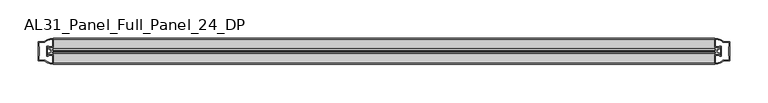
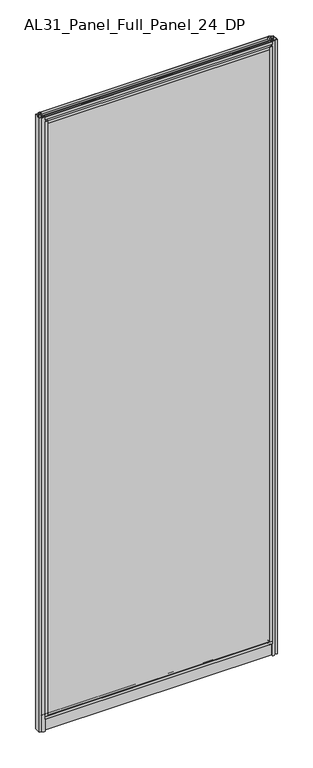
"""IFC4 building model written with IfcOpenShell, lengths in millimetres: plate geometry, AL31_Panel_Full_Panel_24_DP."""

from ifc_helpers import new_model, si_unit, point, frame, frame_2d, origin, origin_with_axes, place, context, project, spatial, polyline, circle_curve, trimmed, segment, composite_curve, outline, extrude, source, transform, mapped, element, save


def al31_panel_full_panel_24_dp_57709ee1(model_context):
    return source(origin(), model_context, "Body", "SweptSolid", [
        extrude(outline(composite_curve([segment(polyline([(-20.7348244, 46.2206013), (-21.2892398, 45.1563534)]), True, "CONTINUOUS"), segment(trimmed(circle_curve(frame_2d((-19.857, 47.9056604)), 3.1), [point((-21.2892398, 45.1563534))], [point((-22.907, 47.3511336))], False, "CARTESIAN"), True, "CONTINUOUS"), segment(polyline([(-22.907, 47.3511336), (-22.907, 41.9), (-24.857, 41.9), (-24.857, 49.4), (-36.857, 49.4), (-36.857, 59.2), (-34.657, 59.2), (-34.657, 51.3), (-5.057, 51.3), (-5.057, 59.2), (-2.857, 59.2), (-2.857, 49.4), (-14.857, 49.4), (-14.857, 41.9), (-16.807, 41.9), (-16.807, 47.3511336)]), True, "CONTINUOUS"), segment(trimmed(circle_curve(frame_2d((-19.857, 47.9056604)), 3.1), [point((-16.807, 47.3511336))], [point((-18.4247602, 45.1563534))], False, "CARTESIAN"), True, "CONTINUOUS"), segment(polyline([(-18.4247602, 45.1563534), (-18.9791756, 46.2206013)]), True, "CONTINUOUS"), segment(trimmed(circle_curve(frame_2d((-19.857, 47.9056604)), 1.9), [point((-18.9791756, 46.2206013))], [point((-19.857, 49.8056604))], True, "CARTESIAN"), True, "CONTINUOUS"), segment(trimmed(circle_curve(frame_2d((-19.857, 47.9056604)), 1.9), [point((-19.857, 49.8056604))], [point((-20.7348244, 46.2206013))], True, "CARTESIAN"), True, "CONTINUOUS")], self_intersect=False)), frame((-432.9301316, 0.0, 0.0), z_axis=(1.0, 0.0, 0.0), x_axis=(0.0, 1.0, 0.0)), (0.0, 0.0, 1.0), 865.8602632),
        extrude(outline(composite_curve([segment(trimmed(circle_curve(frame_2d((-434.4244712, -19.857)), 1.9), [point((-436.1095303, -20.7348244))], [point((-432.5244712, -19.857))], True, "CARTESIAN"), True, "CONTINUOUS"), segment(trimmed(circle_curve(frame_2d((-434.4244712, -19.857)), 1.9), [point((-432.5244712, -19.857))], [point((-436.1095303, -18.9791756))], True, "CARTESIAN"), True, "CONTINUOUS"), segment(polyline([(-436.1095303, -18.9791756), (-437.1737782, -18.4247602)]), True, "CONTINUOUS"), segment(trimmed(circle_curve(frame_2d((-434.4244712, -19.857)), 3.1), [point((-437.1737782, -18.4247602))], [point((-434.978998, -16.807))], False, "CARTESIAN"), True, "CONTINUOUS"), segment(polyline([(-434.978998, -16.807), (-440.4301316, -16.807), (-440.4301316, -14.857), (-432.9301316, -14.857), (-432.9301316, -2.857), (-423.1301316, -2.857), (-423.1301316, -5.057), (-431.0301316, -5.057), (-431.0301316, -34.657), (-423.1301316, -34.657), (-423.1301316, -36.857), (-432.9301316, -36.857), (-432.9301316, -24.857), (-440.4301316, -24.857), (-440.4301316, -22.907), (-434.978998, -22.907)]), True, "CONTINUOUS"), segment(trimmed(circle_curve(frame_2d((-434.4244712, -19.857)), 3.1), [point((-434.978998, -22.907))], [point((-437.1737782, -21.2892398))], False, "CARTESIAN"), True, "CONTINUOUS"), segment(polyline([(-437.1737782, -21.2892398), (-436.1095303, -20.7348244)]), True, "CONTINUOUS")], self_intersect=False)), frame((0.0, 0.0, 49.4), z_axis=(0.0, 0.0, 1.0), x_axis=(1.0, 0.0, 0.0)), (0.0, 0.0, 1.0), 2402.1572926),
        extrude(outline(composite_curve([segment(trimmed(circle_curve(frame_2d((434.4244712, -19.857)), 1.9), [point((436.1095303, -18.9791756))], [point((432.5244712, -19.857))], True, "CARTESIAN"), True, "CONTINUOUS"), segment(trimmed(circle_curve(frame_2d((434.4244712, -19.857)), 1.9), [point((432.5244712, -19.857))], [point((436.1095303, -20.7348244))], True, "CARTESIAN"), True, "CONTINUOUS"), segment(polyline([(436.1095303, -20.7348244), (437.1737782, -21.2892398)]), True, "CONTINUOUS"), segment(trimmed(circle_curve(frame_2d((434.4244712, -19.857)), 3.1), [point((437.1737782, -21.2892398))], [point((434.978998, -22.907))], False, "CARTESIAN"), True, "CONTINUOUS"), segment(polyline([(434.978998, -22.907), (440.4301316, -22.907), (440.4301316, -24.857), (432.9301316, -24.857), (432.9301316, -36.857), (423.1301316, -36.857), (423.1301316, -34.657), (431.0301316, -34.657), (431.0301316, -5.057), (423.1301316, -5.057), (423.1301316, -2.857), (432.9301316, -2.857), (432.9301316, -14.857), (440.4301316, -14.857), (440.4301316, -16.807), (434.978998, -16.807)]), True, "CONTINUOUS"), segment(trimmed(circle_curve(frame_2d((434.4244712, -19.857)), 3.1), [point((434.978998, -16.807))], [point((437.1737782, -18.4247602))], False, "CARTESIAN"), True, "CONTINUOUS"), segment(polyline([(437.1737782, -18.4247602), (436.1095303, -18.9791756)]), True, "CONTINUOUS")], self_intersect=False)), frame((0.0, 0.0, 49.4), z_axis=(0.0, 0.0, 1.0), x_axis=(1.0, 0.0, 0.0)), (0.0, 0.0, 1.0), 2402.1572926),
        extrude(outline(composite_curve([segment(polyline([(-18.9791756, 2454.7366913), (-18.4247602, 2455.8009392)]), True, "CONTINUOUS"), segment(trimmed(circle_curve(frame_2d((-19.857, 2453.0516322)), 3.1), [point((-18.4247602, 2455.8009392))], [point((-16.807, 2453.606159))], False, "CARTESIAN"), True, "CONTINUOUS"), segment(polyline([(-16.807, 2453.606159), (-16.807, 2459.0572926), (-14.857, 2459.0572926), (-14.857, 2451.5572926), (-2.857, 2451.5572926), (-2.857, 2441.7572926), (-5.057, 2441.7572926), (-5.057, 2449.6572926), (-34.657, 2449.6572926), (-34.657, 2441.7572926), (-36.857, 2441.7572926), (-36.857, 2451.5572926), (-24.857, 2451.5572926), (-24.857, 2459.0572926), (-22.907, 2459.0572926), (-22.907, 2453.606159)]), True, "CONTINUOUS"), segment(trimmed(circle_curve(frame_2d((-19.857, 2453.0516322)), 3.1), [point((-22.907, 2453.606159))], [point((-21.2892398, 2455.8009392))], False, "CARTESIAN"), True, "CONTINUOUS"), segment(polyline([(-21.2892398, 2455.8009392), (-20.7348244, 2454.7366913)]), True, "CONTINUOUS"), segment(trimmed(circle_curve(frame_2d((-19.857, 2453.0516322)), 1.9), [point((-20.7348244, 2454.7366913))], [point((-19.857, 2451.1516322))], True, "CARTESIAN"), True, "CONTINUOUS"), segment(trimmed(circle_curve(frame_2d((-19.857, 2453.0516322)), 1.9), [point((-19.857, 2451.1516322))], [point((-18.9791756, 2454.7366913))], True, "CARTESIAN"), True, "CONTINUOUS")], self_intersect=False)), frame((-432.9301316, 0.0, 0.0), z_axis=(1.0, 0.0, 0.0), x_axis=(0.0, 1.0, 0.0)), (0.0, 0.0, 1.0), 865.8602632),
        extrude(outline(composite_curve([segment(trimmed(circle_curve(frame_2d((-19.957, 2461.8572926)), 3.0), [point((-18.457, 2464.4553688))], [point((-17.4851586, 2460.1572926))], False, "CARTESIAN"), True, "CONTINUOUS"), segment(polyline([(-17.4851586, 2460.1572926), (-4.157, 2460.1572926), (-4.157, 2469.5572926), (-2.857, 2469.5572926), (-2.857, 2459.0572926), (-13.1545312, 2459.0572926), (-13.1545312, 2458.2572926), (-13.6601218, 2456.3357964), (-13.6601218, 2451.6572926), (-14.857, 2451.6572926), (-14.857, 2456.9912672), (-14.357, 2457.8572926), (-14.357, 2459.0572926), (-25.357, 2459.0572926), (-25.357, 2457.8572926), (-24.857, 2456.9912672), (-24.857, 2451.6572926), (-26.0538782, 2451.6572926), (-26.0538782, 2456.3357964), (-26.5594688, 2458.2572926), (-26.5594688, 2459.0572926), (-36.857, 2459.0572926), (-36.857, 2469.5572926), (-35.557, 2469.5572926), (-35.557, 2460.1572926), (-22.4288414, 2460.1572926)]), True, "CONTINUOUS"), segment(trimmed(circle_curve(frame_2d((-19.957, 2461.8572926)), 3.0), [point((-22.4288414, 2460.1572926))], [point((-21.457, 2464.4553688))], False, "CARTESIAN"), True, "CONTINUOUS"), segment(polyline([(-21.457, 2464.4553688), (-20.907, 2463.5027409)]), True, "CONTINUOUS"), segment(trimmed(circle_curve(frame_2d((-19.957, 2461.8572926)), 1.9), [point((-20.907, 2463.5027409))], [point((-19.007, 2463.5027409))], True, "CARTESIAN"), True, "CONTINUOUS"), segment(polyline([(-19.007, 2463.5027409), (-18.457, 2464.4553688)]), True, "CONTINUOUS")], self_intersect=False)), frame((-432.9301316, 0.0, 0.0), z_axis=(1.0, 0.0, 0.0), x_axis=(0.0, 1.0, 0.0)), (0.0, 0.0, 1.0), 865.8602632),
        extrude(outline(composite_curve([segment(polyline([(-11.457, 35.8), (-28.257, 35.8)]), True, "CONTINUOUS"), segment(trimmed(circle_curve(frame_2d((-28.257, 34.8)), 1.0), [point((-28.257, 35.8))], [point((-29.257, 34.8))], True, "CARTESIAN"), True, "CONTINUOUS"), segment(polyline([(-29.257, 34.8), (-29.257, 33.5), (-24.8569697, 33.5), (-24.8569697, 32.3), (-29.257, 32.3), (-29.257, 0.0), (-30.457, 0.0), (-30.457, 47.3)]), True, "CONTINUOUS"), segment(trimmed(circle_curve(frame_2d((-28.457, 47.3)), 2.0), [point((-30.457, 47.3))], [point((-28.457, 49.3))], False, "CARTESIAN"), True, "CONTINUOUS"), segment(polyline([(-28.457, 49.3), (-24.857, 49.3), (-24.857, 41.9), (-14.857, 41.9), (-14.857, 49.3), (-11.257, 49.3)]), True, "CONTINUOUS"), segment(trimmed(circle_curve(frame_2d((-11.257, 47.3)), 2.0), [point((-11.257, 49.3))], [point((-9.257, 47.3))], False, "CARTESIAN"), True, "CONTINUOUS"), segment(polyline([(-9.257, 47.3), (-9.257, 0.0), (-10.457, 0.0), (-10.457, 32.3), (-14.8569697, 32.3), (-14.8569697, 33.5), (-10.457, 33.5), (-10.457, 34.8)]), True, "CONTINUOUS"), segment(trimmed(circle_curve(frame_2d((-11.457, 34.8)), 1.0), [point((-10.457, 34.8))], [point((-11.457, 35.8))], True, "CARTESIAN"), True, "CONTINUOUS")], self_intersect=False), holes=[composite_curve([segment(polyline([(-26.3594688, 41.8), (-26.3594688, 42.9)]), True, "CONTINUOUS"), segment(trimmed(circle_curve(frame_2d((-25.1594688, 42.9)), 1.2), [point((-26.3594688, 42.9))], [point((-25.9768184, 43.7786009))], False, "CARTESIAN"), True, "CONTINUOUS"), segment(polyline([(-25.9768184, 43.7786009), (-25.9768184, 48.2), (-28.257, 48.2)]), True, "CONTINUOUS"), segment(trimmed(circle_curve(frame_2d((-28.257, 47.2)), 1.0), [point((-28.257, 48.2))], [point((-29.257, 47.2))], True, "CARTESIAN"), True, "CONTINUOUS"), segment(polyline([(-29.257, 47.2), (-29.257, 37.04), (-22.6578965, 37.04), (-22.6578965, 38.0725806), (-21.6940508, 38.0725806)]), True, "CONTINUOUS"), segment(trimmed(circle_curve(frame_2d((-19.857, 39.1)), 2.1048387), [point((-21.6940508, 38.0725806))], [point((-18.0199492, 38.0725806))], True, "CARTESIAN"), True, "CONTINUOUS"), segment(polyline([(-18.0199492, 38.0725806), (-17.0561035, 38.0725806), (-17.0561035, 37.04), (-10.457, 37.04), (-10.457, 47.2)]), True, "CONTINUOUS"), segment(trimmed(circle_curve(frame_2d((-11.457, 47.2)), 1.0), [point((-10.457, 47.2))], [point((-11.457, 48.2))], True, "CARTESIAN"), True, "CONTINUOUS"), segment(polyline([(-11.457, 48.2), (-13.7371816, 48.2), (-13.7371816, 43.5786009)]), True, "CONTINUOUS"), segment(trimmed(circle_curve(frame_2d((-14.5545312, 42.7)), 1.2), [point((-13.7371816, 43.5786009))], [point((-13.3545312, 42.7))], False, "CARTESIAN"), True, "CONTINUOUS"), segment(polyline([(-13.3545312, 42.7), (-13.3545312, 41.8)]), True, "CONTINUOUS"), segment(trimmed(circle_curve(frame_2d((-14.3545312, 41.8)), 1.0), [point((-13.3545312, 41.8))], [point((-14.3545312, 40.8))], False, "CARTESIAN"), True, "CONTINUOUS"), segment(polyline([(-14.3545312, 40.8), (-17.0561035, 40.8), (-17.0561035, 39.7274194), (-18.0199492, 39.7274194)]), True, "CONTINUOUS"), segment(trimmed(circle_curve(frame_2d((-19.857, 38.7)), 2.1048387), [point((-18.0199492, 39.7274194))], [point((-21.6940508, 39.7274194))], True, "CARTESIAN"), True, "CONTINUOUS"), segment(polyline([(-21.6940508, 39.7274194), (-22.6578965, 39.7274194), (-22.6578965, 40.8), (-25.3594688, 40.8)]), True, "CONTINUOUS"), segment(trimmed(circle_curve(frame_2d((-25.3594688, 41.8)), 1.0), [point((-25.3594688, 40.8))], [point((-26.3594688, 41.8))], False, "CARTESIAN"), True, "CONTINUOUS")], self_intersect=False)]), frame((-432.9301316, 0.0, 0.0), z_axis=(1.0, 0.0, 0.0), x_axis=(0.0, 1.0, 0.0)), (0.0, 0.0, 1.0), 865.8602632),
        extrude(outline(composite_curve([segment(polyline([(-440.771553, -25.757), (-439.571553, -25.757), (-439.571553, -24.857), (-432.9301316, -24.857), (-432.9301316, -36.8571453)]), True, "CONTINUOUS"), segment(trimmed(circle_curve(frame_2d((-432.56548, -16.8604698)), 20.0), [point((-432.9301316, -36.8571453))], [point((-444.2859668, -33.0663388))], False, "CARTESIAN"), True, "CONTINUOUS"), segment(polyline([(-444.2859668, -33.0663388), (-444.2859668, -32.1849343), (-452.9301316, -32.1849343), (-452.9301316, -7.4849343), (-444.2859668, -7.4849343), (-444.2859668, -6.6474751)]), True, "CONTINUOUS"), segment(trimmed(circle_curve(frame_2d((-432.56548, -22.8533441)), 20.0), [point((-444.2859668, -6.6474751))], [point((-432.9301316, -2.8566686))], False, "CARTESIAN"), True, "CONTINUOUS"), segment(polyline([(-432.9301316, -2.8566686), (-432.9301316, -14.857), (-439.571553, -14.857), (-439.571553, -13.957), (-440.771553, -13.957), (-440.771553, -25.757)]), True, "CONTINUOUS")], self_intersect=False), holes=[composite_curve([segment(trimmed(circle_curve(frame_2d((-439.771553, -14.157)), 1.5), [point((-439.771553, -12.657))], [point((-438.4162987, -13.5141269))], False, "CARTESIAN"), True, "CONTINUOUS"), segment(polyline([(-438.4162987, -13.5141269), (-434.671553, -13.5141269), (-434.671553, -8.917777), (-434.2322131, -7.8571168), (-434.2322131, -4.2070183)]), True, "CONTINUOUS"), segment(trimmed(circle_curve(frame_2d((-432.56548, -22.8325921)), 18.7), [point((-434.2322131, -4.2070183))], [point((-442.5722578, -7.0353013))], True, "CARTESIAN"), True, "CONTINUOUS"), segment(trimmed(circle_curve(frame_2d((-444.371553, -6.9849343)), 1.8), [point((-442.5722578, -7.0353013))], [point((-444.371553, -8.7849343))], False, "CARTESIAN"), True, "CONTINUOUS"), segment(polyline([(-444.371553, -8.7849343), (-451.5129743, -8.7849343), (-451.5129743, -13.3550394), (-451.071553, -14.417777), (-451.071553, -25.2520916), (-451.571553, -26.2449987), (-451.571553, -30.8849343), (-444.371553, -30.8849343)]), True, "CONTINUOUS"), segment(trimmed(circle_curve(frame_2d((-444.371553, -32.6849343)), 1.8), [point((-444.371553, -30.8849343))], [point((-442.5722578, -32.6345673))], False, "CARTESIAN"), True, "CONTINUOUS"), segment(trimmed(circle_curve(frame_2d((-432.56548, -16.8372765)), 18.7), [point((-442.5722578, -32.6345673))], [point((-434.2322131, -35.4628503))], True, "CARTESIAN"), True, "CONTINUOUS"), segment(polyline([(-434.2322131, -35.4628503), (-434.2322131, -31.8127518), (-434.671553, -30.7520916), (-434.671553, -26.1561308), (-438.3964012, -26.1561308)]), True, "CONTINUOUS"), segment(trimmed(circle_curve(frame_2d((-439.771553, -25.557)), 1.5), [point((-438.3964012, -26.1561308))], [point((-439.771553, -27.057))], False, "CARTESIAN"), True, "CONTINUOUS"), segment(polyline([(-439.771553, -27.057), (-442.071553, -27.057), (-442.071553, -12.657), (-439.771553, -12.657)]), True, "CONTINUOUS")], self_intersect=False)]), origin_with_axes(), (0.0, 0.0, 1.0), 2469.5572926),
        extrude(outline(composite_curve([segment(polyline([(440.771553, -13.957), (439.571553, -13.957), (439.571553, -14.857), (432.9301316, -14.857), (432.9301316, -2.8568547)]), True, "CONTINUOUS"), segment(trimmed(circle_curve(frame_2d((432.56548, -22.8535302)), 20.0), [point((432.9301316, -2.8568547))], [point((444.2859668, -6.6476612))], False, "CARTESIAN"), True, "CONTINUOUS"), segment(polyline([(444.2859668, -6.6476612), (444.2859668, -7.5290657), (452.9301316, -7.5290657), (452.9301316, -32.2290657), (444.2859668, -32.2290657), (444.2859668, -33.0665249)]), True, "CONTINUOUS"), segment(trimmed(circle_curve(frame_2d((432.56548, -16.8606559)), 20.0), [point((444.2859668, -33.0665249))], [point((432.9301316, -36.8573314))], False, "CARTESIAN"), True, "CONTINUOUS"), segment(polyline([(432.9301316, -36.8573314), (432.9301316, -24.857), (439.571553, -24.857), (439.571553, -25.757), (440.771553, -25.757), (440.771553, -13.957)]), True, "CONTINUOUS")], self_intersect=False), holes=[composite_curve([segment(trimmed(circle_curve(frame_2d((439.771553, -25.557)), 1.5), [point((439.771553, -27.057))], [point((438.4162987, -26.1998731))], False, "CARTESIAN"), True, "CONTINUOUS"), segment(polyline([(438.4162987, -26.1998731), (434.671553, -26.1998731), (434.671553, -30.796223), (434.2322131, -31.8568832), (434.2322131, -35.5069817)]), True, "CONTINUOUS"), segment(trimmed(circle_curve(frame_2d((432.56548, -16.8814079)), 18.7), [point((434.2322131, -35.5069817))], [point((442.5722578, -32.6786987))], True, "CARTESIAN"), True, "CONTINUOUS"), segment(trimmed(circle_curve(frame_2d((444.371553, -32.7290657)), 1.8), [point((442.5722578, -32.6786987))], [point((444.371553, -30.9290657))], False, "CARTESIAN"), True, "CONTINUOUS"), segment(polyline([(444.371553, -30.9290657), (451.5129743, -30.9290657), (451.5129743, -26.3589606), (451.071553, -25.296223), (451.071553, -14.4619084), (451.571553, -13.4690013), (451.571553, -8.8290657), (444.371553, -8.8290657)]), True, "CONTINUOUS"), segment(trimmed(circle_curve(frame_2d((444.371553, -7.0290657)), 1.8), [point((444.371553, -8.8290657))], [point((442.5722578, -7.0794327))], False, "CARTESIAN"), True, "CONTINUOUS"), segment(trimmed(circle_curve(frame_2d((432.56548, -22.8767235)), 18.7), [point((442.5722578, -7.0794327))], [point((434.2322131, -4.2511497))], True, "CARTESIAN"), True, "CONTINUOUS"), segment(polyline([(434.2322131, -4.2511497), (434.2322131, -7.9012482), (434.671553, -8.9619084), (434.671553, -13.5578692), (438.3964012, -13.5578692)]), True, "CONTINUOUS"), segment(trimmed(circle_curve(frame_2d((439.771553, -14.157)), 1.5), [point((438.3964012, -13.5578692))], [point((439.771553, -12.657))], False, "CARTESIAN"), True, "CONTINUOUS"), segment(polyline([(439.771553, -12.657), (442.071553, -12.657), (442.071553, -27.057), (439.771553, -27.057)]), True, "CONTINUOUS")], self_intersect=False)]), origin_with_axes(), (0.0, 0.0, 1.0), 2469.5572926),
        extrude(outline(polyline([(431.0301316, -27.857), (431.0301316, -31.857), (-431.0301316, -31.857), (-431.0301316, -27.857), (431.0301316, -27.857)])), frame((0.0, 0.0, 51.3), z_axis=(0.0, 0.0, 1.0), x_axis=(1.0, 0.0, 0.0)), (0.0, 0.0, 1.0), 2398.3572926),
        extrude(outline(polyline([(431.0301316, -7.857), (431.0301316, -11.857), (-431.0301316, -11.857), (-431.0301316, -7.857), (431.0301316, -7.857)])), frame((0.0, 0.0, 51.3), z_axis=(0.0, 0.0, 1.0), x_axis=(1.0, 0.0, 0.0)), (0.0, 0.0, 1.0), 2398.3572926),
    ])


if __name__ == "__main__":
    model = new_model("IFC4")
    model_context = context("Model", 3, world=origin())
    ifc_project = project(units=[si_unit("LENGTHUNIT", "METRE", prefix="MILLI")], contexts=[model_context])
    site = spatial("IfcSite", under=ifc_project)
    building = spatial("IfcBuilding", under=site)
    placement = place(None, origin())
    al31_panel_full_panel_24_dp_shape = al31_panel_full_panel_24_dp_57709ee1(model_context)
    element("IfcPlate", 1, ObjectType="AL31_Panel_Full_Panel_24_DP", at=placement, inside=building, context=model_context, shape_type="MappedRepresentation", body=[
        mapped(al31_panel_full_panel_24_dp_shape, transform((0.0, 0.0, 0.0), x_axis=(1.0, 0.0, 0.0), y_axis=(0.0, 1.0, 0.0), z_axis=(0.0, 0.0, 1.0))),
    ])
    save(model, "model.ifc")
